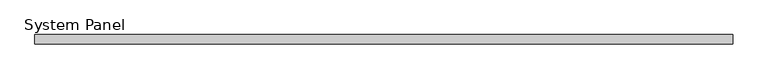
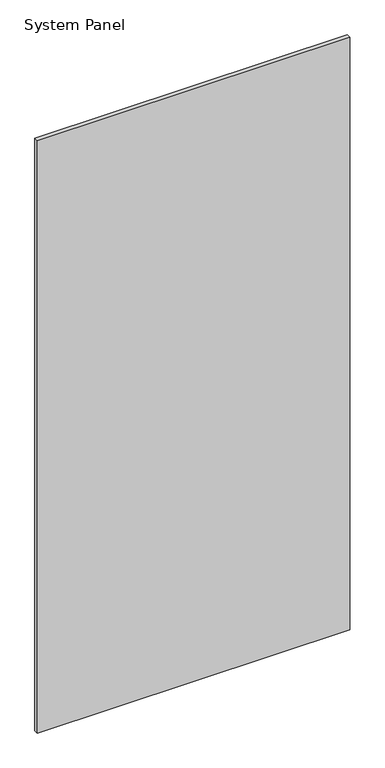
"""IFC4 building model written with IfcOpenShell, lengths in millimetres: plate geometry, System Panel."""

import ifcopenshell
import ifcopenshell.guid

model = None  # the IFC model being written
_history = None  # IfcOwnerHistory: only IFC2X3 demands one
_inside = {}  # id of a spatial element -> (the spatial element, [elements in it])
_under = {}  # id of a project, library or spatial element -> (it, [spatial elements below it])
_declared = {}  # id of a project -> (the project, [libraries it declares])
_typed = {}  # id of a type object -> (the type object, [elements of that type])
_made_of = {}  # id of a material, layer set ... -> (it, [elements and type objects made of it])


def new_model(schema):
    """Start an empty IFC model of exactly this schema.

    Asked for "IFC4X3", IfcOpenShell would pick the latest addendum, in which some entities
    have other attributes; the version numbers below select the first issue.
    IFC2X3 requires an IfcOwnerHistory on every rooted entity: one is made here for all.
    """
    global model, _history
    if schema == "IFC4X3":
        model = ifcopenshell.file(schema_version=(4, 3, 0, 0))
    else:
        model = ifcopenshell.file(schema=schema)
    _inside.clear()
    _under.clear()
    _declared.clear()
    _typed.clear()
    _made_of.clear()
    _history = None
    if model.schema == "IFC2X3":
        org = make("IfcOrganization", Name="unknown")
        user = make(
            "IfcPersonAndOrganization",
            ThePerson=make("IfcPerson", FamilyName="unknown"),
            TheOrganization=org,
        )
        app = make(
            "IfcApplication",
            ApplicationDeveloper=org,
            Version="unknown",
            ApplicationFullName="unknown",
            ApplicationIdentifier="unknown",
        )
        _history = make(
            "IfcOwnerHistory",
            OwningUser=user,
            OwningApplication=app,
            ChangeAction="ADDED",
            CreationDate=0,
        )
    return model


def make(cls, **values):
    """One entity of the class cls with the attributes given. An attribute that is None is left unset."""
    return model.create_entity(
        cls, **{name: value for name, value in values.items() if value is not None}
    )


def rooted(cls, **values):
    """An entity with a GlobalId (a new one), such as an element, a storey or a relation."""
    return make(cls, GlobalId=ifcopenshell.guid.new(), OwnerHistory=_history, **values)


def si_unit(unit_type, name, prefix=None):
    """IfcSIUnit, for example si_unit("LENGTHUNIT", "METRE", prefix="MILLI")."""
    return make("IfcSIUnit", UnitType=unit_type, Prefix=prefix, Name=name)


def assignment(units):
    """IfcUnitAssignment: the units of a project."""
    return None if units is None else make("IfcUnitAssignment", Units=units)


def point(xyz):
    """IfcCartesianPoint."""
    return None if xyz is None else make("IfcCartesianPoint", Coordinates=xyz)


def direction(xyz):
    """IfcDirection."""
    return None if xyz is None else make("IfcDirection", DirectionRatios=xyz)


def frame(location, z_axis=None, x_axis=None):
    """IfcAxis2Placement3D, a coordinate frame: its origin and axes. An axis left out is left unset."""
    return make(
        "IfcAxis2Placement3D",
        Location=point(location),
        Axis=direction(z_axis),
        RefDirection=direction(x_axis),
    )


def origin():
    """The frame at (0, 0, 0) with its axes left unset."""
    return frame((0.0, 0.0, 0.0))


def origin_with_axes():
    """The frame at (0, 0, 0) with the z axis (0, 0, 1) and the x axis (1, 0, 0) written out."""
    return frame((0.0, 0.0, 0.0), z_axis=(0.0, 0.0, 1.0), x_axis=(1.0, 0.0, 0.0))


def place(relative_to, where):
    """IfcLocalPlacement: puts the frame where relative to a parent placement (None: the world)."""
    return make(
        "IfcLocalPlacement", PlacementRelTo=relative_to, RelativePlacement=where
    )


def context(
    kind, dimensions, precision=None, world=None, true_north=None, identifier=None
):
    """IfcGeometricRepresentationContext, for example the 3D "Model" context."""
    return make(
        "IfcGeometricRepresentationContext",
        ContextIdentifier=identifier,
        ContextType=kind,
        CoordinateSpaceDimension=dimensions,
        Precision=precision,
        WorldCoordinateSystem=world,
        TrueNorth=true_north,
    )


def project(units=None, contexts=None):
    """IfcProject with its units and contexts."""
    return rooted(
        "IfcProject",
        Name="project",
        RepresentationContexts=contexts,
        UnitsInContext=assignment(units),
    )


def spatial(cls, under=None, at=None, **own):
    """A site, building, storey or space (cls), placed at a placement, below another one or the project."""
    s = rooted(cls, ObjectPlacement=at, **own)
    if under is not None:
        _under.setdefault(under.id(), (under, []))[1].append(s)
    return s


def polyline(points):
    """IfcPolyline through the points."""
    return make("IfcPolyline", Points=[point(p) for p in points])


def outline(outer, holes=None, kind="AREA"):
    """IfcArbitraryClosedProfileDef: a profile drawn as a closed curve; with holes, ...WithVoids."""
    if holes is None:
        return make("IfcArbitraryClosedProfileDef", ProfileType=kind, OuterCurve=outer)
    return make(
        "IfcArbitraryProfileDefWithVoids",
        ProfileType=kind,
        OuterCurve=outer,
        InnerCurves=holes,
    )


def extrude(swept, where, along, depth):
    """IfcExtrudedAreaSolid: the profile swept, set in the frame where, extruded along a direction by depth."""
    return make(
        "IfcExtrudedAreaSolid",
        SweptArea=swept,
        Position=where,
        ExtrudedDirection=direction(along),
        Depth=depth,
    )


def shape(context_of_items, identifier, shape_type, items):
    """IfcShapeRepresentation: the items that make up one representation, for example the "Body"."""
    return make(
        "IfcShapeRepresentation",
        ContextOfItems=context_of_items,
        RepresentationIdentifier=identifier,
        RepresentationType=shape_type,
        Items=items,
    )


def source(mapping_origin, context_of_items, identifier, shape_type, items):
    """IfcRepresentationMap: a shape defined once, which mapped items show again and again."""
    return make(
        "IfcRepresentationMap",
        MappingOrigin=mapping_origin,
        MappedRepresentation=shape(context_of_items, identifier, shape_type, items),
    )


def transform(
    local_origin,
    x_axis=None,
    y_axis=None,
    z_axis=None,
    scale=None,
    scale2=None,
    scale3=None,
    uniform=True,
):
    """IfcCartesianTransformationOperator3D, or its non-uniform kind. x_axis, y_axis, z_axis: its Axis1, 2, 3."""
    if uniform:
        return make(
            "IfcCartesianTransformationOperator3D",
            Axis1=direction(x_axis),
            Axis2=direction(y_axis),
            LocalOrigin=point(local_origin),
            Scale=scale,
            Axis3=direction(z_axis),
        )
    return make(
        "IfcCartesianTransformationOperator3DnonUniform",
        Axis1=direction(x_axis),
        Axis2=direction(y_axis),
        LocalOrigin=point(local_origin),
        Scale=scale,
        Axis3=direction(z_axis),
        Scale2=scale2,
        Scale3=scale3,
    )


def mapped(mapping_source, mapping_target):
    """IfcMappedItem: shows the shape of a source again, moved by a transform."""
    return make(
        "IfcMappedItem", MappingSource=mapping_source, MappingTarget=mapping_target
    )


def made_of(thing, what):
    """Note that an element or type object is made of a material, layer set ...; save() writes the relation."""
    if what is not None:
        _made_of.setdefault(what.id(), (what, []))[1].append(thing)
    return thing


def element(
    cls,
    number,
    at=None,
    inside=None,
    cuts=None,
    type_object=None,
    material=None,
    context=None,
    identifier="Body",
    shape_type=None,
    held_by="IfcProductDefinitionShape",
    body=None,
    shapes=None,
    **own,
):
    """One element of the class cls, such as IfcWall. Its Tag is "e" and its number.

    at: its placement. inside: the storey or other place that contains it. cuts: it is an
    opening in that element (IfcRelVoidsElement). A single representation is given by context,
    identifier, shape_type and body (its items); several are given by shapes. held_by: the class
    of the entity that holds the representations. save() writes the other relations.
    """
    e = rooted(cls, Tag="e%d" % number, ObjectPlacement=at, **own)
    if body is not None:
        shapes = [shape(context, identifier, shape_type, body)]
    if shapes is not None:
        e.Representation = make(held_by, Representations=shapes)
    if inside is not None:
        _inside.setdefault(inside.id(), (inside, []))[1].append(e)
    if cuts is not None:
        rooted(
            "IfcRelVoidsElement", RelatingBuildingElement=cuts, RelatedOpeningElement=e
        )
    if type_object is not None:
        _typed.setdefault(type_object.id(), (type_object, []))[1].append(e)
    return made_of(e, material)


def aggregate(whole, parts):
    """IfcRelAggregates: a whole, such as a stair, and the parts it consists of."""
    return rooted("IfcRelAggregates", RelatingObject=whole, RelatedObjects=parts)


def save(model, path):
    """Write the relations noted so far, then the file.

    IfcRelAggregates (storeys below a building ...), IfcRelContainedInSpatialStructure (elements
    in a storey), IfcRelDefinesByType, IfcRelAssociatesMaterial and IfcRelDeclares: one each for
    every whole, place, type object, material and project.
    """
    for whole, parts in _under.values():
        aggregate(whole, parts)
    for where, things in _inside.values():
        rooted(
            "IfcRelContainedInSpatialStructure",
            RelatedElements=things,
            RelatingStructure=where,
        )
    for kind, things in _typed.values():
        rooted("IfcRelDefinesByType", RelatedObjects=things, RelatingType=kind)
    for what, things in _made_of.values():
        rooted("IfcRelAssociatesMaterial", RelatedObjects=things, RelatingMaterial=what)
    for by, libraries in _declared.values():
        rooted("IfcRelDeclares", RelatingContext=by, RelatedDefinitions=libraries)
    model.write(path)


def system_panel_6c9a8c01(model_context):
    return source(origin(), model_context, "Body", "SweptSolid", [
        extrude(outline(polyline([(595.0, -8.0), (-595.0, -8.0), (-595.0, 8.0), (595.0, 8.0), (595.0, -8.0)])), origin_with_axes(), (0.0, 0.0, 1.0), 2385.0),
    ])


if __name__ == "__main__":
    model = new_model("IFC4")
    model_context = context("Model", 3, world=origin())
    ifc_project = project(units=[si_unit("LENGTHUNIT", "METRE", prefix="MILLI")], contexts=[model_context])
    site = spatial("IfcSite", under=ifc_project)
    building = spatial("IfcBuilding", under=site)
    placement = place(None, origin())
    system_panel_shape = system_panel_6c9a8c01(model_context)
    element("IfcPlate", 1, ObjectType="System Panel", at=placement, inside=building, context=model_context, shape_type="MappedRepresentation", body=[
        mapped(system_panel_shape, transform((0.0, 0.0, 0.0), x_axis=(1.0, 0.0, 0.0), y_axis=(0.0, 1.0, 0.0), z_axis=(0.0, 0.0, 1.0))),
    ])
    save(model, "model.ifc")
